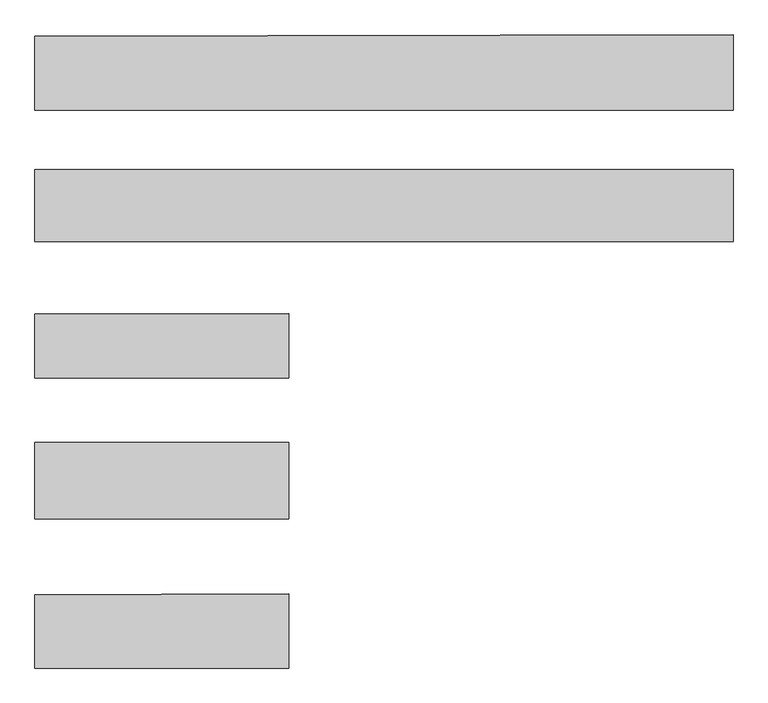
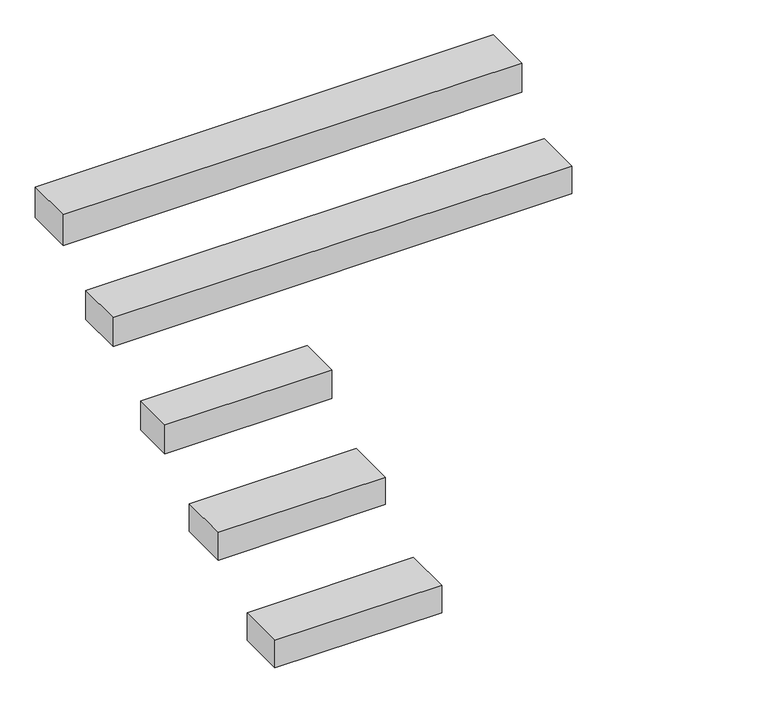
"""IFC4 building model written with IfcOpenShell, lengths in millimetres: proxy geometry."""

from ifc_helpers import new_model, si_unit, frame, origin, place, context, project, spatial, polyline, outline, extrude, faceted_brep, source, transform, mapped, element, save


def generic_models_b6facb34(model_context):
    return source(origin(), model_context, "Body", "SolidModel", [
        faceted_brep([(-55384.7943585, 120679.8940167, 10985.6207976), (-55384.7943585, 120679.8940167, 10765.4966791), (-55384.7943585, 121032.0357746, 10765.4966791), (-55384.7943585, 121032.0357746, 10985.6207976), (-58649.7585331, 120679.8940167, 10985.6207976), (-58649.7585331, 121024.782519, 10985.6207976), (-58649.7585331, 121024.782519, 10754.6167955), (-58649.7585331, 120679.8940167, 10754.6167955)], [[[0, 1, 2, 3]], [[4, 5, 6, 7]], [[0, 4, 7, 1]], [[4, 0, 3, 5]], [[6, 2, 1, 7]], [[2, 6, 5, 3]]]),
        extrude(outline(polyline([(10583.9708361, -55384.7943585), (10583.9708361, -58649.7585331), (10366.1666523, -58649.7585331), (10377.0465359, -55384.7943585), (10583.9708361, -55384.7943585)])), frame((0.0, 120063.7079886, 0.0), z_axis=(0.0, 1.0, 0.0), x_axis=(0.0, 0.0, 1.0)), (0.0, 0.0, 1.0), 338.7967362),
        faceted_brep([(-57462.2271295, 119727.494638, 10161.3705608), (-57462.2271295, 119426.4111939, 10161.3705608), (-57462.2271295, 119426.4111939, 9945.3395756), (-57462.2271295, 119727.494638, 9945.3395756), (-58649.7585331, 119426.4111939, 10161.3705608), (-58649.7585331, 119724.8564868, 10161.3705608), (-58649.7585331, 119724.8564868, 9941.3823489), (-58649.7585331, 119426.4111939, 9941.3823489)], [[[0, 1, 2, 3]], [[4, 5, 6, 7]], [[1, 4, 7, 2]], [[4, 1, 0, 5]], [[0, 3, 6, 5]], [[3, 2, 7, 6]]]),
        extrude(outline(polyline([(9750.7298869, -57462.2271295), (9750.7298869, -58649.7585331), (9541.7117931, -58649.7585331), (9545.6690197, -57462.2271295), (9750.7298869, -57462.2271295)])), frame((0.0, 118766.2470717, 0.0), z_axis=(0.0, 1.0, 0.0), x_axis=(0.0, 0.0, 1.0)), (0.0, 0.0, 1.0), 358.2228464),
        faceted_brep([(-57462.2271295, 118069.176559, 9359.3373921), (-57462.2271295, 118069.176559, 9151.5183466), (-57462.2271295, 118417.0060891, 9151.5183466), (-57462.2271295, 118417.0060891, 9359.3373921), (-58649.7585331, 118069.176559, 9359.3373921), (-58649.7585331, 118411.7297868, 9359.3373921), (-58649.7585331, 118411.7297868, 9152.8374221), (-58649.7585331, 118069.176559, 9152.8374221)], [[[0, 1, 2, 3]], [[4, 5, 6, 7]], [[0, 4, 7, 1]], [[4, 0, 3, 5]], [[6, 2, 1, 7]], [[2, 6, 5, 3]]]),
    ])


if __name__ == "__main__":
    model = new_model("IFC4")
    model_context = context("Model", 3, world=origin())
    ifc_project = project(units=[si_unit("LENGTHUNIT", "METRE", prefix="MILLI")], contexts=[model_context])
    site = spatial("IfcSite", under=ifc_project)
    building = spatial("IfcBuilding", under=site)
    placement = place(None, origin())
    generic_models_shape = generic_models_b6facb34(model_context)
    element("IfcBuildingElementProxy", 1, Name="Generic Models", at=placement, inside=building, context=model_context, shape_type="MappedRepresentation", body=[
        mapped(generic_models_shape, transform((0.0, 0.0, 0.0), x_axis=(1.0, 0.0, 0.0), y_axis=(0.0, 1.0, 0.0), z_axis=(0.0, 0.0, 1.0))),
    ])
    save(model, "model.ifc")
